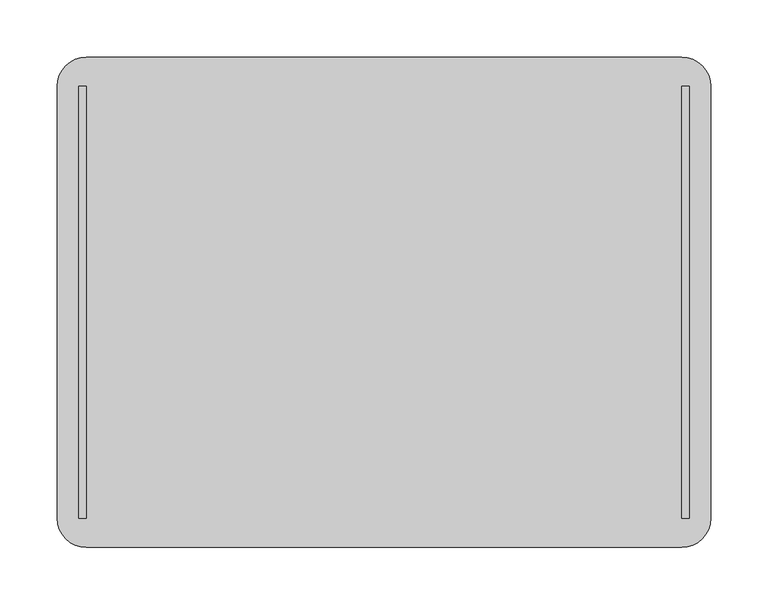
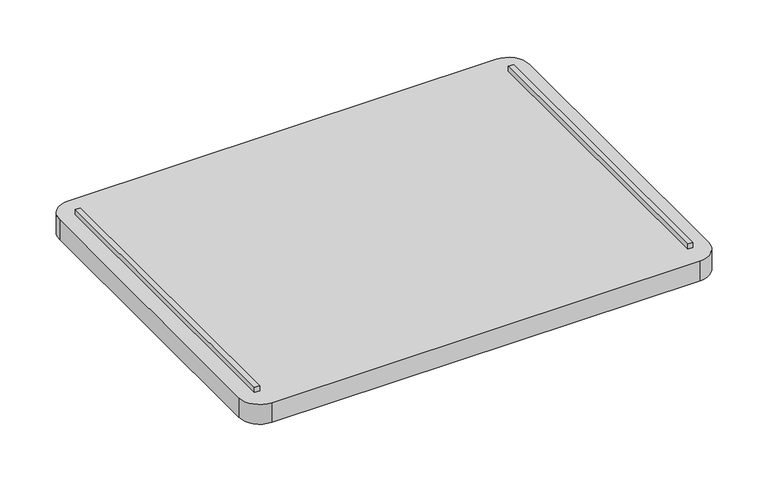
"""IFC4 building model written with IfcOpenShell, lengths in millimetres: furniture geometry."""

from ifc_helpers import new_model, si_unit, point, frame, frame_2d, origin, place, context, project, spatial, polyline, circle_curve, trimmed, segment, composite_curve, outline, extrude, source, transform, mapped, element, save


def furniture_ed6ec715(model_context):
    return source(origin(), model_context, "Body", "SweptSolid", [
        extrude(outline(polyline([(-260.35, -188.9125), (-266.7, -188.9125), (-266.7, 188.9125), (-260.35, 188.9125), (-260.35, -188.9125)])), frame((0.0, 0.0, 821.6646), z_axis=(0.0, 0.0, 1.0), x_axis=(1.0, 0.0, 0.0)), (0.0, 0.0, 1.0), 6.35),
        extrude(outline(polyline([(266.7, -188.9125), (260.35, -188.9125), (260.35, 188.9125), (266.7, 188.9125), (266.7, -188.9125)])), frame((0.0, 0.0, 821.6646), z_axis=(0.0, 0.0, 1.0), x_axis=(1.0, 0.0, 0.0)), (0.0, 0.0, 1.0), 6.35),
        extrude(outline(composite_curve([segment(trimmed(circle_curve(frame_2d((260.35, 188.9125)), 25.4), [point((260.35, 214.3125))], [point((285.75, 188.9125))], False, "CARTESIAN"), True, "CONTINUOUS"), segment(polyline([(285.75, 188.9125), (285.75, -188.9125)]), True, "CONTINUOUS"), segment(trimmed(circle_curve(frame_2d((260.35, -188.9125)), 25.4), [point((285.75, -188.9125))], [point((260.35, -214.3125))], False, "CARTESIAN"), True, "CONTINUOUS"), segment(polyline([(260.35, -214.3125), (-260.35, -214.3125)]), True, "CONTINUOUS"), segment(trimmed(circle_curve(frame_2d((-260.35, -188.9125)), 25.4), [point((-260.35, -214.3125))], [point((-285.75, -188.9125))], False, "CARTESIAN"), True, "CONTINUOUS"), segment(polyline([(-285.75, -188.9125), (-285.75, 188.9125)]), True, "CONTINUOUS"), segment(trimmed(circle_curve(frame_2d((-260.35, 188.9125)), 25.4), [point((-285.75, 188.9125))], [point((-260.35, 214.3125))], False, "CARTESIAN"), True, "CONTINUOUS"), segment(polyline([(-260.35, 214.3125), (260.35, 214.3125)]), True, "CONTINUOUS")], self_intersect=False)), frame((0.0, 0.0, 796.2646), z_axis=(0.0, 0.0, 1.0), x_axis=(1.0, 0.0, 0.0)), (0.0, 0.0, 1.0), 25.4),
    ])


if __name__ == "__main__":
    model = new_model("IFC4")
    model_context = context("Model", 3, world=origin())
    ifc_project = project(units=[si_unit("LENGTHUNIT", "METRE", prefix="MILLI")], contexts=[model_context])
    site = spatial("IfcSite", under=ifc_project)
    building = spatial("IfcBuilding", under=site)
    placement = place(None, origin())
    furniture_shape = furniture_ed6ec715(model_context)
    element("IfcFurniture", 1, at=placement, inside=building, context=model_context, shape_type="MappedRepresentation", body=[
        mapped(furniture_shape, transform((0.0, 0.0, 0.0), x_axis=(1.0, 0.0, 0.0), y_axis=(0.0, 1.0, 0.0), z_axis=(0.0, 0.0, 1.0))),
    ])
    save(model, "model.ifc")
